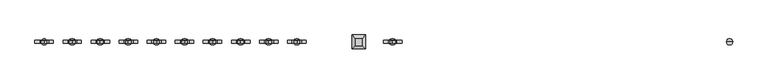
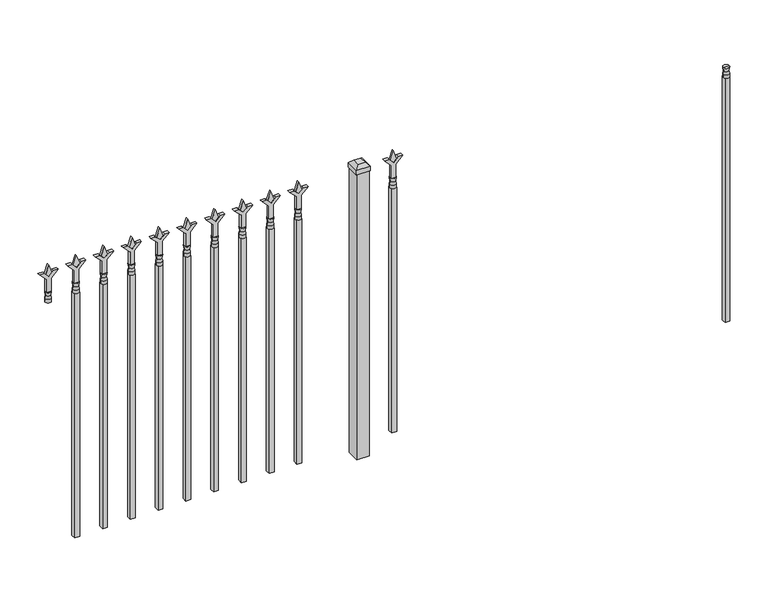
"""IFC4 building model written with IfcOpenShell, lengths in millimetres: railing geometry."""

from ifc_helpers import new_model, si_unit, frame, origin, origin_with_axes, place, context, project, spatial, polyline, circle_curve, outline, extrude, faceted_brep, source, transform, mapped, element, save
from ifc_brep_helpers import plane_surface, cylinder_surface, revolved_surface, advanced_brep


def railing_0d9a725c(model_context):
    return source(origin(), model_context, "Body", "SolidModel", [
        advanced_brep(
        [(-76603.574337, 3022.3429826, 1079.5), (-76627.386837, 3022.3429826, 1079.5), (-76627.386837, 3022.3429826, 1066.8), (-76603.574337, 3022.3429826, 1066.8), (-76605.7796688, 3022.3429826, 1092.0070585), (-76625.1815051, 3022.3429826, 1092.0070585), (-76603.574337, 3022.3429826, 1108.075), (-76627.386837, 3022.3429826, 1108.075), (-76615.480587, 3022.3429826, 1108.075), (-76615.480587, 3022.3429826, 1066.8)],
        [
            (0, 1, circle_curve(frame((-76615.480587, 3022.3429826, 1079.5), z_axis=(0.0, 0.0, -1.0), x_axis=(-1.0, 0.0, 0.0)), 11.90625)),
            (1, 2),
            (2, 3, circle_curve(frame((-76615.480587, 3022.3429826, 1066.8), z_axis=(0.0, 0.0, 1.0), x_axis=(-1.0, 0.0, 0.0)), 11.90625)),
            (3, 0),
            (1, 0, circle_curve(frame((-76615.480587, 3022.3429826, 1079.5), z_axis=(0.0, 0.0, -1.0), x_axis=(-1.0, 0.0, 0.0)), 11.90625)),
            (3, 2, circle_curve(frame((-76615.480587, 3022.3429826, 1066.8), z_axis=(0.0, 0.0, 1.0), x_axis=(-1.0, 0.0, 0.0)), 11.90625)),
            (4, 5, circle_curve(frame((-76615.480587, 3022.3429826, 1092.0070585), z_axis=(0.0, 0.0, -1.0), x_axis=(-1.0, 0.0, 0.0)), 9.7009181)),
            (5, 1),
            (0, 4),
            (5, 4, circle_curve(frame((-76615.480587, 3022.3429826, 1092.0070585), z_axis=(0.0, 0.0, -1.0), x_axis=(-1.0, 0.0, 0.0)), 9.7009181)),
            (6, 7, circle_curve(frame((-76615.480587, 3022.3429826, 1108.075), z_axis=(0.0, 0.0, -1.0), x_axis=(-1.0, 0.0, 0.0)), 11.90625)),
            (7, 5),
            (4, 6),
            (7, 6, circle_curve(frame((-76615.480587, 3022.3429826, 1108.075), z_axis=(0.0, 0.0, -1.0), x_axis=(-1.0, 0.0, 0.0)), 11.90625)),
            (8, 7),
            (6, 8),
            (2, 9),
            (9, 3),
        ],
        [
            cylinder_surface(frame((-76615.480587, 3022.3429826, 1066.8), z_axis=(0.0, 0.0, 1.0), x_axis=(-1.0, 0.0, 0.0)), 11.90625),
            revolved_surface(polyline([(-76627.386837, 3022.3429826, 1079.5), (-76625.1815051, 3022.3429826, 1092.0070585)]), (-76615.480587, 3022.3429826, 1066.8), (0.0, 0.0, 1.0)),
            revolved_surface(polyline([(-76625.1815051, 3022.3429826, 1092.0070585), (-76627.386837, 3022.3429826, 1108.075)]), (-76615.480587, 3022.3429826, 1066.8), (0.0, 0.0, 1.0)),
            plane_surface(frame((-76615.480587, 3022.3429826, 1108.075), z_axis=(0.0, 0.0, 1.0), x_axis=(-1.0, 0.0, 0.0))),
            plane_surface(frame((-76615.480587, 3022.3429826, 1066.8), z_axis=(0.0, 0.0, -1.0), x_axis=(-1.0, 0.0, 0.0))),
        ],
        [
            (0, [[1, 2, 3, 4]]),
            (0, [[5, -4, 6, -2]]),
            (1, [[7, 8, -1, 9]]),
            (1, [[10, -9, -5, -8]]),
            (2, [[11, 12, -7, 13]]),
            (2, [[14, -13, -10, -12]]),
            (3, [[15, -11, 16]]),
            (3, [[-16, -14, -15]]),
            (4, [[-3, 17, 18]]),
            (4, [[-6, -18, -17]]),
        ],
    ),
        extrude(outline(polyline([(-76625.005587, 3031.8679826), (-76605.955587, 3031.8679826), (-76605.955587, 3012.8179826), (-76625.005587, 3012.8179826), (-76625.005587, 3031.8679826)])), frame((0.0, 0.0, 50.8), z_axis=(0.0, 0.0, 1.0), x_axis=(1.0, 0.0, 0.0)), (0.0, 0.0, 1.0), 1016.0),
        extrude(outline(polyline([(1183.48125, -77914.849337), (1219.2, -77926.755587), (1183.48125, -77938.661837), (1171.575, -77926.755587), (1183.48125, -77914.849337)])), frame((0.0, 3017.5804826, 0.0), z_axis=(0.0, 1.0, 0.0), x_axis=(0.0, 0.0, 1.0)), (0.0, 0.0, 1.0), 9.525),
        extrude(outline(polyline([(1108.075, -77918.024337), (1162.3457378, -77918.024337), (1189.5355122, -77890.8345625), (1189.5355122, -77908.7950747), (1171.575, -77926.755587), (1189.5355122, -77944.7160992), (1189.5355122, -77962.6766114), (1162.3457378, -77935.486837), (1108.075, -77935.486837), (1108.075, -77918.024337)])), frame((0.0, 3015.9929826, 0.0), z_axis=(0.0, 1.0, 0.0), x_axis=(0.0, 0.0, 1.0)), (0.0, 0.0, 1.0), 12.7),
        advanced_brep(
        [(-77914.849337, 3022.3429826, 1079.5), (-77938.661837, 3022.3429826, 1079.5), (-77938.661837, 3022.3429826, 1066.8), (-77914.849337, 3022.3429826, 1066.8), (-77917.0546688, 3022.3429826, 1092.0070585), (-77936.4565051, 3022.3429826, 1092.0070585), (-77914.849337, 3022.3429826, 1108.075), (-77938.661837, 3022.3429826, 1108.075), (-77926.755587, 3022.3429826, 1108.075), (-77926.755587, 3022.3429826, 1066.8)],
        [
            (0, 1, circle_curve(frame((-77926.755587, 3022.3429826, 1079.5), z_axis=(0.0, 0.0, -1.0), x_axis=(-1.0, 0.0, 0.0)), 11.90625)),
            (1, 2),
            (2, 3, circle_curve(frame((-77926.755587, 3022.3429826, 1066.8), z_axis=(0.0, 0.0, 1.0), x_axis=(-1.0, 0.0, 0.0)), 11.90625)),
            (3, 0),
            (1, 0, circle_curve(frame((-77926.755587, 3022.3429826, 1079.5), z_axis=(0.0, 0.0, -1.0), x_axis=(-1.0, 0.0, 0.0)), 11.90625)),
            (3, 2, circle_curve(frame((-77926.755587, 3022.3429826, 1066.8), z_axis=(0.0, 0.0, 1.0), x_axis=(-1.0, 0.0, 0.0)), 11.90625)),
            (4, 5, circle_curve(frame((-77926.755587, 3022.3429826, 1092.0070585), z_axis=(0.0, 0.0, -1.0), x_axis=(-1.0, 0.0, 0.0)), 9.7009181)),
            (5, 1),
            (0, 4),
            (5, 4, circle_curve(frame((-77926.755587, 3022.3429826, 1092.0070585), z_axis=(0.0, 0.0, -1.0), x_axis=(-1.0, 0.0, 0.0)), 9.7009181)),
            (6, 7, circle_curve(frame((-77926.755587, 3022.3429826, 1108.075), z_axis=(0.0, 0.0, -1.0), x_axis=(-1.0, 0.0, 0.0)), 11.90625)),
            (7, 5),
            (4, 6),
            (7, 6, circle_curve(frame((-77926.755587, 3022.3429826, 1108.075), z_axis=(0.0, 0.0, -1.0), x_axis=(-1.0, 0.0, 0.0)), 11.90625)),
            (8, 7),
            (6, 8),
            (2, 9),
            (9, 3),
        ],
        [
            cylinder_surface(frame((-77926.755587, 3022.3429826, 1066.8), z_axis=(0.0, 0.0, 1.0), x_axis=(-1.0, 0.0, 0.0)), 11.90625),
            revolved_surface(polyline([(-77938.661837, 3022.3429826, 1079.5), (-77936.4565051, 3022.3429826, 1092.0070585)]), (-77926.755587, 3022.3429826, 1066.8), (0.0, 0.0, 1.0)),
            revolved_surface(polyline([(-77936.4565051, 3022.3429826, 1092.0070585), (-77938.661837, 3022.3429826, 1108.075)]), (-77926.755587, 3022.3429826, 1066.8), (0.0, 0.0, 1.0)),
            plane_surface(frame((-77926.755587, 3022.3429826, 1108.075), z_axis=(0.0, 0.0, 1.0), x_axis=(-1.0, 0.0, 0.0))),
            plane_surface(frame((-77926.755587, 3022.3429826, 1066.8), z_axis=(0.0, 0.0, -1.0), x_axis=(-1.0, 0.0, 0.0))),
        ],
        [
            (0, [[1, 2, 3, 4]]),
            (0, [[5, -4, 6, -2]]),
            (1, [[7, 8, -1, 9]]),
            (1, [[10, -9, -5, -8]]),
            (2, [[11, 12, -7, 13]]),
            (2, [[14, -13, -10, -12]]),
            (3, [[15, -11, 16]]),
            (3, [[-16, -14, -15]]),
            (4, [[-3, 17, 18]]),
            (4, [[-6, -18, -17]]),
        ],
    ),
        extrude(outline(polyline([(-77936.280587, 3031.8679826), (-77917.230587, 3031.8679826), (-77917.230587, 3012.8179826), (-77936.280587, 3012.8179826), (-77936.280587, 3031.8679826)])), frame((0.0, 0.0, 50.8), z_axis=(0.0, 0.0, 1.0), x_axis=(1.0, 0.0, 0.0)), (0.0, 0.0, 1.0), 1016.0),
        extrude(outline(polyline([(-78033.118087, 3047.7429826), (-78033.118087, 2996.9429826), (-78083.918087, 2996.9429826), (-78083.918087, 3047.7429826), (-78033.118087, 3047.7429826)])), origin_with_axes(), (0.0, 0.0, 1.0), 1187.45),
        faceted_brep([(-78085.505587, 3049.3304826, 1206.5), (-78085.505587, 3049.3304826, 1187.45), (-78085.505587, 2995.3554826, 1187.45), (-78085.505587, 2995.3554826, 1206.5), (-78072.805587, 3036.6304826, 1219.2), (-78072.805587, 3008.0554826, 1219.2), (-78031.530587, 2995.3554826, 1187.45), (-78031.530587, 2995.3554826, 1206.5), (-78044.230587, 3008.0554826, 1219.2), (-78031.530587, 3049.3304826, 1187.45), (-78031.530587, 3049.3304826, 1206.5), (-78044.230587, 3036.6304826, 1219.2)], [[[0, 1, 2, 3]], [[4, 0, 3, 5]], [[3, 2, 6, 7]], [[5, 3, 7, 8]], [[7, 6, 9, 10]], [[8, 7, 10, 11]], [[10, 9, 1, 0]], [[11, 10, 0, 4]], [[5, 8, 11, 4]], [[1, 9, 6, 2]]]),
        extrude(outline(polyline([(1183.48125, -78287.6472536), (1219.2, -78299.5535036), (1183.48125, -78311.4597536), (1171.575, -78299.5535036), (1183.48125, -78287.6472536)])), frame((0.0, 3017.5804826, 0.0), z_axis=(0.0, 1.0, 0.0), x_axis=(0.0, 0.0, 1.0)), (0.0, 0.0, 1.0), 9.525),
        extrude(outline(polyline([(1108.075, -78290.8222536), (1162.3457378, -78290.8222536), (1189.5355122, -78263.6324791), (1189.5355122, -78281.5929914), (1171.575, -78299.5535036), (1189.5355122, -78317.5140159), (1189.5355122, -78335.4745281), (1162.3457378, -78308.2847536), (1108.075, -78308.2847536), (1108.075, -78290.8222536)])), frame((0.0, 3015.9929826, 0.0), z_axis=(0.0, 1.0, 0.0), x_axis=(0.0, 0.0, 1.0)), (0.0, 0.0, 1.0), 12.7),
        advanced_brep(
        [(-78287.6472536, 3022.3429826, 1079.5), (-78311.4597536, 3022.3429826, 1079.5), (-78311.4597536, 3022.3429826, 1066.8), (-78287.6472536, 3022.3429826, 1066.8), (-78289.8525855, 3022.3429826, 1092.0070585), (-78309.2544218, 3022.3429826, 1092.0070585), (-78287.6472536, 3022.3429826, 1108.075), (-78311.4597536, 3022.3429826, 1108.075), (-78299.5535036, 3022.3429826, 1108.075), (-78299.5535036, 3022.3429826, 1066.8)],
        [
            (0, 1, circle_curve(frame((-78299.5535036, 3022.3429826, 1079.5), z_axis=(0.0, 0.0, -1.0), x_axis=(-1.0, 0.0, 0.0)), 11.90625)),
            (1, 2),
            (2, 3, circle_curve(frame((-78299.5535036, 3022.3429826, 1066.8), z_axis=(0.0, 0.0, 1.0), x_axis=(-1.0, 0.0, 0.0)), 11.90625)),
            (3, 0),
            (1, 0, circle_curve(frame((-78299.5535036, 3022.3429826, 1079.5), z_axis=(0.0, 0.0, -1.0), x_axis=(-1.0, 0.0, 0.0)), 11.90625)),
            (3, 2, circle_curve(frame((-78299.5535036, 3022.3429826, 1066.8), z_axis=(0.0, 0.0, 1.0), x_axis=(-1.0, 0.0, 0.0)), 11.90625)),
            (4, 5, circle_curve(frame((-78299.5535036, 3022.3429826, 1092.0070585), z_axis=(0.0, 0.0, -1.0), x_axis=(-1.0, 0.0, 0.0)), 9.7009181)),
            (5, 1),
            (0, 4),
            (5, 4, circle_curve(frame((-78299.5535036, 3022.3429826, 1092.0070585), z_axis=(0.0, 0.0, -1.0), x_axis=(-1.0, 0.0, 0.0)), 9.7009181)),
            (6, 7, circle_curve(frame((-78299.5535036, 3022.3429826, 1108.075), z_axis=(0.0, 0.0, -1.0), x_axis=(-1.0, 0.0, 0.0)), 11.90625)),
            (7, 5),
            (4, 6),
            (7, 6, circle_curve(frame((-78299.5535036, 3022.3429826, 1108.075), z_axis=(0.0, 0.0, -1.0), x_axis=(-1.0, 0.0, 0.0)), 11.90625)),
            (8, 7),
            (6, 8),
            (2, 9),
            (9, 3),
        ],
        [
            cylinder_surface(frame((-78299.5535036, 3022.3429826, 1066.8), z_axis=(0.0, 0.0, 1.0), x_axis=(-1.0, 0.0, 0.0)), 11.90625),
            revolved_surface(polyline([(-78311.4597536, 3022.3429826, 1079.5), (-78309.2544218, 3022.3429826, 1092.0070585)]), (-78299.5535036, 3022.3429826, 1066.8), (0.0, 0.0, 1.0)),
            revolved_surface(polyline([(-78309.2544218, 3022.3429826, 1092.0070585), (-78311.4597536, 3022.3429826, 1108.075)]), (-78299.5535036, 3022.3429826, 1066.8), (0.0, 0.0, 1.0)),
            plane_surface(frame((-78299.5535036, 3022.3429826, 1108.075), z_axis=(0.0, 0.0, 1.0), x_axis=(-1.0, 0.0, 0.0))),
            plane_surface(frame((-78299.5535036, 3022.3429826, 1066.8), z_axis=(0.0, 0.0, -1.0), x_axis=(-1.0, 0.0, 0.0))),
        ],
        [
            (0, [[1, 2, 3, 4]]),
            (0, [[5, -4, 6, -2]]),
            (1, [[7, 8, -1, 9]]),
            (1, [[10, -9, -5, -8]]),
            (2, [[11, 12, -7, 13]]),
            (2, [[14, -13, -10, -12]]),
            (3, [[15, -11, 16]]),
            (3, [[-16, -14, -15]]),
            (4, [[-3, 17, 18]]),
            (4, [[-6, -18, -17]]),
        ],
    ),
        extrude(outline(polyline([(-78309.0785036, 3031.8679826), (-78290.0285036, 3031.8679826), (-78290.0285036, 3012.8179826), (-78309.0785036, 3012.8179826), (-78309.0785036, 3031.8679826)])), frame((0.0, 0.0, 50.8), z_axis=(0.0, 0.0, 1.0), x_axis=(1.0, 0.0, 0.0)), (0.0, 0.0, 1.0), 1016.0),
        extrude(outline(polyline([(1183.48125, -78396.9201703), (1219.2, -78408.8264203), (1183.48125, -78420.7326703), (1171.575, -78408.8264203), (1183.48125, -78396.9201703)])), frame((0.0, 3017.5804826, 0.0), z_axis=(0.0, 1.0, 0.0), x_axis=(0.0, 0.0, 1.0)), (0.0, 0.0, 1.0), 9.525),
        extrude(outline(polyline([(1108.075, -78400.0951703), (1162.3457378, -78400.0951703), (1189.5355122, -78372.9053958), (1189.5355122, -78390.8659081), (1171.575, -78408.8264203), (1189.5355122, -78426.7869325), (1189.5355122, -78444.7474448), (1162.3457378, -78417.5576703), (1108.075, -78417.5576703), (1108.075, -78400.0951703)])), frame((0.0, 3015.9929826, 0.0), z_axis=(0.0, 1.0, 0.0), x_axis=(0.0, 0.0, 1.0)), (0.0, 0.0, 1.0), 12.7),
        advanced_brep(
        [(-78396.9201703, 3022.3429826, 1079.5), (-78420.7326703, 3022.3429826, 1079.5), (-78420.7326703, 3022.3429826, 1066.8), (-78396.9201703, 3022.3429826, 1066.8), (-78399.1255022, 3022.3429826, 1092.0070585), (-78418.5273384, 3022.3429826, 1092.0070585), (-78396.9201703, 3022.3429826, 1108.075), (-78420.7326703, 3022.3429826, 1108.075), (-78408.8264203, 3022.3429826, 1108.075), (-78408.8264203, 3022.3429826, 1066.8)],
        [
            (0, 1, circle_curve(frame((-78408.8264203, 3022.3429826, 1079.5), z_axis=(0.0, 0.0, -1.0), x_axis=(-1.0, 0.0, 0.0)), 11.90625)),
            (1, 2),
            (2, 3, circle_curve(frame((-78408.8264203, 3022.3429826, 1066.8), z_axis=(0.0, 0.0, 1.0), x_axis=(-1.0, 0.0, 0.0)), 11.90625)),
            (3, 0),
            (1, 0, circle_curve(frame((-78408.8264203, 3022.3429826, 1079.5), z_axis=(0.0, 0.0, -1.0), x_axis=(-1.0, 0.0, 0.0)), 11.90625)),
            (3, 2, circle_curve(frame((-78408.8264203, 3022.3429826, 1066.8), z_axis=(0.0, 0.0, 1.0), x_axis=(-1.0, 0.0, 0.0)), 11.90625)),
            (4, 5, circle_curve(frame((-78408.8264203, 3022.3429826, 1092.0070585), z_axis=(0.0, 0.0, -1.0), x_axis=(-1.0, 0.0, 0.0)), 9.7009181)),
            (5, 1),
            (0, 4),
            (5, 4, circle_curve(frame((-78408.8264203, 3022.3429826, 1092.0070585), z_axis=(0.0, 0.0, -1.0), x_axis=(-1.0, 0.0, 0.0)), 9.7009181)),
            (6, 7, circle_curve(frame((-78408.8264203, 3022.3429826, 1108.075), z_axis=(0.0, 0.0, -1.0), x_axis=(-1.0, 0.0, 0.0)), 11.90625)),
            (7, 5),
            (4, 6),
            (7, 6, circle_curve(frame((-78408.8264203, 3022.3429826, 1108.075), z_axis=(0.0, 0.0, -1.0), x_axis=(-1.0, 0.0, 0.0)), 11.90625)),
            (8, 7),
            (6, 8),
            (2, 9),
            (9, 3),
        ],
        [
            cylinder_surface(frame((-78408.8264203, 3022.3429826, 1066.8), z_axis=(0.0, 0.0, 1.0), x_axis=(-1.0, 0.0, 0.0)), 11.90625),
            revolved_surface(polyline([(-78420.7326703, 3022.3429826, 1079.5), (-78418.5273384, 3022.3429826, 1092.0070585)]), (-78408.8264203, 3022.3429826, 1066.8), (0.0, 0.0, 1.0)),
            revolved_surface(polyline([(-78418.5273384, 3022.3429826, 1092.0070585), (-78420.7326703, 3022.3429826, 1108.075)]), (-78408.8264203, 3022.3429826, 1066.8), (0.0, 0.0, 1.0)),
            plane_surface(frame((-78408.8264203, 3022.3429826, 1108.075), z_axis=(0.0, 0.0, 1.0), x_axis=(-1.0, 0.0, 0.0))),
            plane_surface(frame((-78408.8264203, 3022.3429826, 1066.8), z_axis=(0.0, 0.0, -1.0), x_axis=(-1.0, 0.0, 0.0))),
        ],
        [
            (0, [[1, 2, 3, 4]]),
            (0, [[5, -4, 6, -2]]),
            (1, [[7, 8, -1, 9]]),
            (1, [[10, -9, -5, -8]]),
            (2, [[11, 12, -7, 13]]),
            (2, [[14, -13, -10, -12]]),
            (3, [[15, -11, 16]]),
            (3, [[-16, -14, -15]]),
            (4, [[-3, 17, 18]]),
            (4, [[-6, -18, -17]]),
        ],
    ),
        extrude(outline(polyline([(-78418.3514203, 3031.8679826), (-78399.3014203, 3031.8679826), (-78399.3014203, 3012.8179826), (-78418.3514203, 3012.8179826), (-78418.3514203, 3031.8679826)])), frame((0.0, 0.0, 50.8), z_axis=(0.0, 0.0, 1.0), x_axis=(1.0, 0.0, 0.0)), (0.0, 0.0, 1.0), 1016.0),
        extrude(outline(polyline([(1183.48125, -78506.193087), (1219.2, -78518.099337), (1183.48125, -78530.005587), (1171.575, -78518.099337), (1183.48125, -78506.193087)])), frame((0.0, 3017.5804826, 0.0), z_axis=(0.0, 1.0, 0.0), x_axis=(0.0, 0.0, 1.0)), (0.0, 0.0, 1.0), 9.525),
        extrude(outline(polyline([(1108.075, -78509.368087), (1162.3457378, -78509.368087), (1189.5355122, -78482.1783125), (1189.5355122, -78500.1388247), (1171.575, -78518.099337), (1189.5355122, -78536.0598492), (1189.5355122, -78554.0203614), (1162.3457378, -78526.830587), (1108.075, -78526.830587), (1108.075, -78509.368087)])), frame((0.0, 3015.9929826, 0.0), z_axis=(0.0, 1.0, 0.0), x_axis=(0.0, 0.0, 1.0)), (0.0, 0.0, 1.0), 12.7),
        advanced_brep(
        [(-78506.193087, 3022.3429826, 1079.5), (-78530.005587, 3022.3429826, 1079.5), (-78530.005587, 3022.3429826, 1066.8), (-78506.193087, 3022.3429826, 1066.8), (-78508.3984188, 3022.3429826, 1092.0070585), (-78527.8002551, 3022.3429826, 1092.0070585), (-78506.193087, 3022.3429826, 1108.075), (-78530.005587, 3022.3429826, 1108.075), (-78518.099337, 3022.3429826, 1108.075), (-78518.099337, 3022.3429826, 1066.8)],
        [
            (0, 1, circle_curve(frame((-78518.099337, 3022.3429826, 1079.5), z_axis=(0.0, 0.0, -1.0), x_axis=(-1.0, 0.0, 0.0)), 11.90625)),
            (1, 2),
            (2, 3, circle_curve(frame((-78518.099337, 3022.3429826, 1066.8), z_axis=(0.0, 0.0, 1.0), x_axis=(-1.0, 0.0, 0.0)), 11.90625)),
            (3, 0),
            (1, 0, circle_curve(frame((-78518.099337, 3022.3429826, 1079.5), z_axis=(0.0, 0.0, -1.0), x_axis=(-1.0, 0.0, 0.0)), 11.90625)),
            (3, 2, circle_curve(frame((-78518.099337, 3022.3429826, 1066.8), z_axis=(0.0, 0.0, 1.0), x_axis=(-1.0, 0.0, 0.0)), 11.90625)),
            (4, 5, circle_curve(frame((-78518.099337, 3022.3429826, 1092.0070585), z_axis=(0.0, 0.0, -1.0), x_axis=(-1.0, 0.0, 0.0)), 9.7009181)),
            (5, 1),
            (0, 4),
            (5, 4, circle_curve(frame((-78518.099337, 3022.3429826, 1092.0070585), z_axis=(0.0, 0.0, -1.0), x_axis=(-1.0, 0.0, 0.0)), 9.7009181)),
            (6, 7, circle_curve(frame((-78518.099337, 3022.3429826, 1108.075), z_axis=(0.0, 0.0, -1.0), x_axis=(-1.0, 0.0, 0.0)), 11.90625)),
            (7, 5),
            (4, 6),
            (7, 6, circle_curve(frame((-78518.099337, 3022.3429826, 1108.075), z_axis=(0.0, 0.0, -1.0), x_axis=(-1.0, 0.0, 0.0)), 11.90625)),
            (8, 7),
            (6, 8),
            (2, 9),
            (9, 3),
        ],
        [
            cylinder_surface(frame((-78518.099337, 3022.3429826, 1066.8), z_axis=(0.0, 0.0, 1.0), x_axis=(-1.0, 0.0, 0.0)), 11.90625),
            revolved_surface(polyline([(-78530.005587, 3022.3429826, 1079.5), (-78527.8002551, 3022.3429826, 1092.0070585)]), (-78518.099337, 3022.3429826, 1066.8), (0.0, 0.0, 1.0)),
            revolved_surface(polyline([(-78527.8002551, 3022.3429826, 1092.0070585), (-78530.005587, 3022.3429826, 1108.075)]), (-78518.099337, 3022.3429826, 1066.8), (0.0, 0.0, 1.0)),
            plane_surface(frame((-78518.099337, 3022.3429826, 1108.075), z_axis=(0.0, 0.0, 1.0), x_axis=(-1.0, 0.0, 0.0))),
            plane_surface(frame((-78518.099337, 3022.3429826, 1066.8), z_axis=(0.0, 0.0, -1.0), x_axis=(-1.0, 0.0, 0.0))),
        ],
        [
            (0, [[1, 2, 3, 4]]),
            (0, [[5, -4, 6, -2]]),
            (1, [[7, 8, -1, 9]]),
            (1, [[10, -9, -5, -8]]),
            (2, [[11, 12, -7, 13]]),
            (2, [[14, -13, -10, -12]]),
            (3, [[15, -11, 16]]),
            (3, [[-16, -14, -15]]),
            (4, [[-3, 17, 18]]),
            (4, [[-6, -18, -17]]),
        ],
    ),
        extrude(outline(polyline([(-78527.624337, 3031.8679826), (-78508.574337, 3031.8679826), (-78508.574337, 3012.8179826), (-78527.624337, 3012.8179826), (-78527.624337, 3031.8679826)])), frame((0.0, 0.0, 50.8), z_axis=(0.0, 0.0, 1.0), x_axis=(1.0, 0.0, 0.0)), (0.0, 0.0, 1.0), 1016.0),
        extrude(outline(polyline([(1183.48125, -78615.4660036), (1219.2, -78627.3722536), (1183.48125, -78639.2785036), (1171.575, -78627.3722536), (1183.48125, -78615.4660036)])), frame((0.0, 3017.5804826, 0.0), z_axis=(0.0, 1.0, 0.0), x_axis=(0.0, 0.0, 1.0)), (0.0, 0.0, 1.0), 9.525),
        extrude(outline(polyline([(1108.075, -78618.6410036), (1162.3457378, -78618.6410036), (1189.5355122, -78591.4512291), (1189.5355122, -78609.4117414), (1171.575, -78627.3722536), (1189.5355122, -78645.3327659), (1189.5355122, -78663.2932781), (1162.3457378, -78636.1035036), (1108.075, -78636.1035036), (1108.075, -78618.6410036)])), frame((0.0, 3015.9929826, 0.0), z_axis=(0.0, 1.0, 0.0), x_axis=(0.0, 0.0, 1.0)), (0.0, 0.0, 1.0), 12.7),
        advanced_brep(
        [(-78615.4660036, 3022.3429826, 1079.5), (-78639.2785036, 3022.3429826, 1079.5), (-78639.2785036, 3022.3429826, 1066.8), (-78615.4660036, 3022.3429826, 1066.8), (-78617.6713355, 3022.3429826, 1092.0070585), (-78637.0731718, 3022.3429826, 1092.0070585), (-78615.4660036, 3022.3429826, 1108.075), (-78639.2785036, 3022.3429826, 1108.075), (-78627.3722536, 3022.3429826, 1108.075), (-78627.3722536, 3022.3429826, 1066.8)],
        [
            (0, 1, circle_curve(frame((-78627.3722536, 3022.3429826, 1079.5), z_axis=(0.0, 0.0, -1.0), x_axis=(-1.0, 0.0, 0.0)), 11.90625)),
            (1, 2),
            (2, 3, circle_curve(frame((-78627.3722536, 3022.3429826, 1066.8), z_axis=(0.0, 0.0, 1.0), x_axis=(-1.0, 0.0, 0.0)), 11.90625)),
            (3, 0),
            (1, 0, circle_curve(frame((-78627.3722536, 3022.3429826, 1079.5), z_axis=(0.0, 0.0, -1.0), x_axis=(-1.0, 0.0, 0.0)), 11.90625)),
            (3, 2, circle_curve(frame((-78627.3722536, 3022.3429826, 1066.8), z_axis=(0.0, 0.0, 1.0), x_axis=(-1.0, 0.0, 0.0)), 11.90625)),
            (4, 5, circle_curve(frame((-78627.3722536, 3022.3429826, 1092.0070585), z_axis=(0.0, 0.0, -1.0), x_axis=(-1.0, 0.0, 0.0)), 9.7009181)),
            (5, 1),
            (0, 4),
            (5, 4, circle_curve(frame((-78627.3722536, 3022.3429826, 1092.0070585), z_axis=(0.0, 0.0, -1.0), x_axis=(-1.0, 0.0, 0.0)), 9.7009181)),
            (6, 7, circle_curve(frame((-78627.3722536, 3022.3429826, 1108.075), z_axis=(0.0, 0.0, -1.0), x_axis=(-1.0, 0.0, 0.0)), 11.90625)),
            (7, 5),
            (4, 6),
            (7, 6, circle_curve(frame((-78627.3722536, 3022.3429826, 1108.075), z_axis=(0.0, 0.0, -1.0), x_axis=(-1.0, 0.0, 0.0)), 11.90625)),
            (8, 7),
            (6, 8),
            (2, 9),
            (9, 3),
        ],
        [
            cylinder_surface(frame((-78627.3722536, 3022.3429826, 1066.8), z_axis=(0.0, 0.0, 1.0), x_axis=(-1.0, 0.0, 0.0)), 11.90625),
            revolved_surface(polyline([(-78639.2785036, 3022.3429826, 1079.5), (-78637.0731718, 3022.3429826, 1092.0070585)]), (-78627.3722536, 3022.3429826, 1066.8), (0.0, 0.0, 1.0)),
            revolved_surface(polyline([(-78637.0731718, 3022.3429826, 1092.0070585), (-78639.2785036, 3022.3429826, 1108.075)]), (-78627.3722536, 3022.3429826, 1066.8), (0.0, 0.0, 1.0)),
            plane_surface(frame((-78627.3722536, 3022.3429826, 1108.075), z_axis=(0.0, 0.0, 1.0), x_axis=(-1.0, 0.0, 0.0))),
            plane_surface(frame((-78627.3722536, 3022.3429826, 1066.8), z_axis=(0.0, 0.0, -1.0), x_axis=(-1.0, 0.0, 0.0))),
        ],
        [
            (0, [[1, 2, 3, 4]]),
            (0, [[5, -4, 6, -2]]),
            (1, [[7, 8, -1, 9]]),
            (1, [[10, -9, -5, -8]]),
            (2, [[11, 12, -7, 13]]),
            (2, [[14, -13, -10, -12]]),
            (3, [[15, -11, 16]]),
            (3, [[-16, -14, -15]]),
            (4, [[-3, 17, 18]]),
            (4, [[-6, -18, -17]]),
        ],
    ),
        extrude(outline(polyline([(-78636.8972536, 3031.8679826), (-78617.8472536, 3031.8679826), (-78617.8472536, 3012.8179826), (-78636.8972536, 3012.8179826), (-78636.8972536, 3031.8679826)])), frame((0.0, 0.0, 50.8), z_axis=(0.0, 0.0, 1.0), x_axis=(1.0, 0.0, 0.0)), (0.0, 0.0, 1.0), 1016.0),
        extrude(outline(polyline([(1183.48125, -78724.7389203), (1219.2, -78736.6451703), (1183.48125, -78748.5514203), (1171.575, -78736.6451703), (1183.48125, -78724.7389203)])), frame((0.0, 3017.5804826, 0.0), z_axis=(0.0, 1.0, 0.0), x_axis=(0.0, 0.0, 1.0)), (0.0, 0.0, 1.0), 9.525),
        extrude(outline(polyline([(1108.075, -78727.9139203), (1162.3457378, -78727.9139203), (1189.5355122, -78700.7241458), (1189.5355122, -78718.6846581), (1171.575, -78736.6451703), (1189.5355122, -78754.6056825), (1189.5355122, -78772.5661948), (1162.3457378, -78745.3764203), (1108.075, -78745.3764203), (1108.075, -78727.9139203)])), frame((0.0, 3015.9929826, 0.0), z_axis=(0.0, 1.0, 0.0), x_axis=(0.0, 0.0, 1.0)), (0.0, 0.0, 1.0), 12.7),
        advanced_brep(
        [(-78724.7389203, 3022.3429826, 1079.5), (-78748.5514203, 3022.3429826, 1079.5), (-78748.5514203, 3022.3429826, 1066.8), (-78724.7389203, 3022.3429826, 1066.8), (-78726.9442522, 3022.3429826, 1092.0070585), (-78746.3460884, 3022.3429826, 1092.0070585), (-78724.7389203, 3022.3429826, 1108.075), (-78748.5514203, 3022.3429826, 1108.075), (-78736.6451703, 3022.3429826, 1108.075), (-78736.6451703, 3022.3429826, 1066.8)],
        [
            (0, 1, circle_curve(frame((-78736.6451703, 3022.3429826, 1079.5), z_axis=(0.0, 0.0, -1.0), x_axis=(-1.0, 0.0, 0.0)), 11.90625)),
            (1, 2),
            (2, 3, circle_curve(frame((-78736.6451703, 3022.3429826, 1066.8), z_axis=(0.0, 0.0, 1.0), x_axis=(-1.0, 0.0, 0.0)), 11.90625)),
            (3, 0),
            (1, 0, circle_curve(frame((-78736.6451703, 3022.3429826, 1079.5), z_axis=(0.0, 0.0, -1.0), x_axis=(-1.0, 0.0, 0.0)), 11.90625)),
            (3, 2, circle_curve(frame((-78736.6451703, 3022.3429826, 1066.8), z_axis=(0.0, 0.0, 1.0), x_axis=(-1.0, 0.0, 0.0)), 11.90625)),
            (4, 5, circle_curve(frame((-78736.6451703, 3022.3429826, 1092.0070585), z_axis=(0.0, 0.0, -1.0), x_axis=(-1.0, 0.0, 0.0)), 9.7009181)),
            (5, 1),
            (0, 4),
            (5, 4, circle_curve(frame((-78736.6451703, 3022.3429826, 1092.0070585), z_axis=(0.0, 0.0, -1.0), x_axis=(-1.0, 0.0, 0.0)), 9.7009181)),
            (6, 7, circle_curve(frame((-78736.6451703, 3022.3429826, 1108.075), z_axis=(0.0, 0.0, -1.0), x_axis=(-1.0, 0.0, 0.0)), 11.90625)),
            (7, 5),
            (4, 6),
            (7, 6, circle_curve(frame((-78736.6451703, 3022.3429826, 1108.075), z_axis=(0.0, 0.0, -1.0), x_axis=(-1.0, 0.0, 0.0)), 11.90625)),
            (8, 7),
            (6, 8),
            (2, 9),
            (9, 3),
        ],
        [
            cylinder_surface(frame((-78736.6451703, 3022.3429826, 1066.8), z_axis=(0.0, 0.0, 1.0), x_axis=(-1.0, 0.0, 0.0)), 11.90625),
            revolved_surface(polyline([(-78748.5514203, 3022.3429826, 1079.5), (-78746.3460884, 3022.3429826, 1092.0070585)]), (-78736.6451703, 3022.3429826, 1066.8), (0.0, 0.0, 1.0)),
            revolved_surface(polyline([(-78746.3460884, 3022.3429826, 1092.0070585), (-78748.5514203, 3022.3429826, 1108.075)]), (-78736.6451703, 3022.3429826, 1066.8), (0.0, 0.0, 1.0)),
            plane_surface(frame((-78736.6451703, 3022.3429826, 1108.075), z_axis=(0.0, 0.0, 1.0), x_axis=(-1.0, 0.0, 0.0))),
            plane_surface(frame((-78736.6451703, 3022.3429826, 1066.8), z_axis=(0.0, 0.0, -1.0), x_axis=(-1.0, 0.0, 0.0))),
        ],
        [
            (0, [[1, 2, 3, 4]]),
            (0, [[5, -4, 6, -2]]),
            (1, [[7, 8, -1, 9]]),
            (1, [[10, -9, -5, -8]]),
            (2, [[11, 12, -7, 13]]),
            (2, [[14, -13, -10, -12]]),
            (3, [[15, -11, 16]]),
            (3, [[-16, -14, -15]]),
            (4, [[-3, 17, 18]]),
            (4, [[-6, -18, -17]]),
        ],
    ),
        extrude(outline(polyline([(-78746.1701703, 3031.8679826), (-78727.1201703, 3031.8679826), (-78727.1201703, 3012.8179826), (-78746.1701703, 3012.8179826), (-78746.1701703, 3031.8679826)])), frame((0.0, 0.0, 50.8), z_axis=(0.0, 0.0, 1.0), x_axis=(1.0, 0.0, 0.0)), (0.0, 0.0, 1.0), 1016.0),
        extrude(outline(polyline([(1183.48125, -78834.011837), (1219.2, -78845.918087), (1183.48125, -78857.824337), (1171.575, -78845.918087), (1183.48125, -78834.011837)])), frame((0.0, 3017.5804826, 0.0), z_axis=(0.0, 1.0, 0.0), x_axis=(0.0, 0.0, 1.0)), (0.0, 0.0, 1.0), 9.525),
        extrude(outline(polyline([(1108.075, -78837.186837), (1162.3457378, -78837.186837), (1189.5355122, -78809.9970625), (1189.5355122, -78827.9575747), (1171.575, -78845.918087), (1189.5355122, -78863.8785992), (1189.5355122, -78881.8391114), (1162.3457378, -78854.649337), (1108.075, -78854.649337), (1108.075, -78837.186837)])), frame((0.0, 3015.9929826, 0.0), z_axis=(0.0, 1.0, 0.0), x_axis=(0.0, 0.0, 1.0)), (0.0, 0.0, 1.0), 12.7),
        advanced_brep(
        [(-78834.011837, 3022.3429826, 1079.5), (-78857.824337, 3022.3429826, 1079.5), (-78857.824337, 3022.3429826, 1066.8), (-78834.011837, 3022.3429826, 1066.8), (-78836.2171688, 3022.3429826, 1092.0070585), (-78855.6190051, 3022.3429826, 1092.0070585), (-78834.011837, 3022.3429826, 1108.075), (-78857.824337, 3022.3429826, 1108.075), (-78845.918087, 3022.3429826, 1108.075), (-78845.918087, 3022.3429826, 1066.8)],
        [
            (0, 1, circle_curve(frame((-78845.918087, 3022.3429826, 1079.5), z_axis=(0.0, 0.0, -1.0), x_axis=(-1.0, 0.0, 0.0)), 11.90625)),
            (1, 2),
            (2, 3, circle_curve(frame((-78845.918087, 3022.3429826, 1066.8), z_axis=(0.0, 0.0, 1.0), x_axis=(-1.0, 0.0, 0.0)), 11.90625)),
            (3, 0),
            (1, 0, circle_curve(frame((-78845.918087, 3022.3429826, 1079.5), z_axis=(0.0, 0.0, -1.0), x_axis=(-1.0, 0.0, 0.0)), 11.90625)),
            (3, 2, circle_curve(frame((-78845.918087, 3022.3429826, 1066.8), z_axis=(0.0, 0.0, 1.0), x_axis=(-1.0, 0.0, 0.0)), 11.90625)),
            (4, 5, circle_curve(frame((-78845.918087, 3022.3429826, 1092.0070585), z_axis=(0.0, 0.0, -1.0), x_axis=(-1.0, 0.0, 0.0)), 9.7009181)),
            (5, 1),
            (0, 4),
            (5, 4, circle_curve(frame((-78845.918087, 3022.3429826, 1092.0070585), z_axis=(0.0, 0.0, -1.0), x_axis=(-1.0, 0.0, 0.0)), 9.7009181)),
            (6, 7, circle_curve(frame((-78845.918087, 3022.3429826, 1108.075), z_axis=(0.0, 0.0, -1.0), x_axis=(-1.0, 0.0, 0.0)), 11.90625)),
            (7, 5),
            (4, 6),
            (7, 6, circle_curve(frame((-78845.918087, 3022.3429826, 1108.075), z_axis=(0.0, 0.0, -1.0), x_axis=(-1.0, 0.0, 0.0)), 11.90625)),
            (8, 7),
            (6, 8),
            (2, 9),
            (9, 3),
        ],
        [
            cylinder_surface(frame((-78845.918087, 3022.3429826, 1066.8), z_axis=(0.0, 0.0, 1.0), x_axis=(-1.0, 0.0, 0.0)), 11.90625),
            revolved_surface(polyline([(-78857.824337, 3022.3429826, 1079.5), (-78855.6190051, 3022.3429826, 1092.0070585)]), (-78845.918087, 3022.3429826, 1066.8), (0.0, 0.0, 1.0)),
            revolved_surface(polyline([(-78855.6190051, 3022.3429826, 1092.0070585), (-78857.824337, 3022.3429826, 1108.075)]), (-78845.918087, 3022.3429826, 1066.8), (0.0, 0.0, 1.0)),
            plane_surface(frame((-78845.918087, 3022.3429826, 1108.075), z_axis=(0.0, 0.0, 1.0), x_axis=(-1.0, 0.0, 0.0))),
            plane_surface(frame((-78845.918087, 3022.3429826, 1066.8), z_axis=(0.0, 0.0, -1.0), x_axis=(-1.0, 0.0, 0.0))),
        ],
        [
            (0, [[1, 2, 3, 4]]),
            (0, [[5, -4, 6, -2]]),
            (1, [[7, 8, -1, 9]]),
            (1, [[10, -9, -5, -8]]),
            (2, [[11, 12, -7, 13]]),
            (2, [[14, -13, -10, -12]]),
            (3, [[15, -11, 16]]),
            (3, [[-16, -14, -15]]),
            (4, [[-3, 17, 18]]),
            (4, [[-6, -18, -17]]),
        ],
    ),
        extrude(outline(polyline([(-78855.443087, 3031.8679826), (-78836.393087, 3031.8679826), (-78836.393087, 3012.8179826), (-78855.443087, 3012.8179826), (-78855.443087, 3031.8679826)])), frame((0.0, 0.0, 50.8), z_axis=(0.0, 0.0, 1.0), x_axis=(1.0, 0.0, 0.0)), (0.0, 0.0, 1.0), 1016.0),
        extrude(outline(polyline([(1183.48125, -78943.2847536), (1219.2, -78955.1910036), (1183.48125, -78967.0972536), (1171.575, -78955.1910036), (1183.48125, -78943.2847536)])), frame((0.0, 3017.5804826, 0.0), z_axis=(0.0, 1.0, 0.0), x_axis=(0.0, 0.0, 1.0)), (0.0, 0.0, 1.0), 9.525),
        extrude(outline(polyline([(1108.075, -78946.4597536), (1162.3457378, -78946.4597536), (1189.5355122, -78919.2699791), (1189.5355122, -78937.2304914), (1171.575, -78955.1910036), (1189.5355122, -78973.1515159), (1189.5355122, -78991.1120281), (1162.3457378, -78963.9222536), (1108.075, -78963.9222536), (1108.075, -78946.4597536)])), frame((0.0, 3015.9929826, 0.0), z_axis=(0.0, 1.0, 0.0), x_axis=(0.0, 0.0, 1.0)), (0.0, 0.0, 1.0), 12.7),
        advanced_brep(
        [(-78943.2847536, 3022.3429826, 1079.5), (-78967.0972536, 3022.3429826, 1079.5), (-78967.0972536, 3022.3429826, 1066.8), (-78943.2847536, 3022.3429826, 1066.8), (-78945.4900855, 3022.3429826, 1092.0070585), (-78964.8919218, 3022.3429826, 1092.0070585), (-78943.2847536, 3022.3429826, 1108.075), (-78967.0972536, 3022.3429826, 1108.075), (-78955.1910036, 3022.3429826, 1108.075), (-78955.1910036, 3022.3429826, 1066.8)],
        [
            (0, 1, circle_curve(frame((-78955.1910036, 3022.3429826, 1079.5), z_axis=(0.0, 0.0, -1.0), x_axis=(-1.0, 0.0, 0.0)), 11.90625)),
            (1, 2),
            (2, 3, circle_curve(frame((-78955.1910036, 3022.3429826, 1066.8), z_axis=(0.0, 0.0, 1.0), x_axis=(-1.0, 0.0, 0.0)), 11.90625)),
            (3, 0),
            (1, 0, circle_curve(frame((-78955.1910036, 3022.3429826, 1079.5), z_axis=(0.0, 0.0, -1.0), x_axis=(-1.0, 0.0, 0.0)), 11.90625)),
            (3, 2, circle_curve(frame((-78955.1910036, 3022.3429826, 1066.8), z_axis=(0.0, 0.0, 1.0), x_axis=(-1.0, 0.0, 0.0)), 11.90625)),
            (4, 5, circle_curve(frame((-78955.1910036, 3022.3429826, 1092.0070585), z_axis=(0.0, 0.0, -1.0), x_axis=(-1.0, 0.0, 0.0)), 9.7009181)),
            (5, 1),
            (0, 4),
            (5, 4, circle_curve(frame((-78955.1910036, 3022.3429826, 1092.0070585), z_axis=(0.0, 0.0, -1.0), x_axis=(-1.0, 0.0, 0.0)), 9.7009181)),
            (6, 7, circle_curve(frame((-78955.1910036, 3022.3429826, 1108.075), z_axis=(0.0, 0.0, -1.0), x_axis=(-1.0, 0.0, 0.0)), 11.90625)),
            (7, 5),
            (4, 6),
            (7, 6, circle_curve(frame((-78955.1910036, 3022.3429826, 1108.075), z_axis=(0.0, 0.0, -1.0), x_axis=(-1.0, 0.0, 0.0)), 11.90625)),
            (8, 7),
            (6, 8),
            (2, 9),
            (9, 3),
        ],
        [
            cylinder_surface(frame((-78955.1910036, 3022.3429826, 1066.8), z_axis=(0.0, 0.0, 1.0), x_axis=(-1.0, 0.0, 0.0)), 11.90625),
            revolved_surface(polyline([(-78967.0972536, 3022.3429826, 1079.5), (-78964.8919218, 3022.3429826, 1092.0070585)]), (-78955.1910036, 3022.3429826, 1066.8), (0.0, 0.0, 1.0)),
            revolved_surface(polyline([(-78964.8919218, 3022.3429826, 1092.0070585), (-78967.0972536, 3022.3429826, 1108.075)]), (-78955.1910036, 3022.3429826, 1066.8), (0.0, 0.0, 1.0)),
            plane_surface(frame((-78955.1910036, 3022.3429826, 1108.075), z_axis=(0.0, 0.0, 1.0), x_axis=(-1.0, 0.0, 0.0))),
            plane_surface(frame((-78955.1910036, 3022.3429826, 1066.8), z_axis=(0.0, 0.0, -1.0), x_axis=(-1.0, 0.0, 0.0))),
        ],
        [
            (0, [[1, 2, 3, 4]]),
            (0, [[5, -4, 6, -2]]),
            (1, [[7, 8, -1, 9]]),
            (1, [[10, -9, -5, -8]]),
            (2, [[11, 12, -7, 13]]),
            (2, [[14, -13, -10, -12]]),
            (3, [[15, -11, 16]]),
            (3, [[-16, -14, -15]]),
            (4, [[-3, 17, 18]]),
            (4, [[-6, -18, -17]]),
        ],
    ),
        extrude(outline(polyline([(-78964.7160036, 3031.8679826), (-78945.6660036, 3031.8679826), (-78945.6660036, 3012.8179826), (-78964.7160036, 3012.8179826), (-78964.7160036, 3031.8679826)])), frame((0.0, 0.0, 50.8), z_axis=(0.0, 0.0, 1.0), x_axis=(1.0, 0.0, 0.0)), (0.0, 0.0, 1.0), 1016.0),
        extrude(outline(polyline([(1183.48125, -79052.5576703), (1219.2, -79064.4639203), (1183.48125, -79076.3701703), (1171.575, -79064.4639203), (1183.48125, -79052.5576703)])), frame((0.0, 3017.5804826, 0.0), z_axis=(0.0, 1.0, 0.0), x_axis=(0.0, 0.0, 1.0)), (0.0, 0.0, 1.0), 9.525),
        extrude(outline(polyline([(1108.075, -79055.7326703), (1162.3457378, -79055.7326703), (1189.5355122, -79028.5428958), (1189.5355122, -79046.5034081), (1171.575, -79064.4639203), (1189.5355122, -79082.4244325), (1189.5355122, -79100.3849448), (1162.3457378, -79073.1951703), (1108.075, -79073.1951703), (1108.075, -79055.7326703)])), frame((0.0, 3015.9929826, 0.0), z_axis=(0.0, 1.0, 0.0), x_axis=(0.0, 0.0, 1.0)), (0.0, 0.0, 1.0), 12.7),
        advanced_brep(
        [(-79052.5576703, 3022.3429826, 1079.5), (-79076.3701703, 3022.3429826, 1079.5), (-79076.3701703, 3022.3429826, 1066.8), (-79052.5576703, 3022.3429826, 1066.8), (-79054.7630022, 3022.3429826, 1092.0070585), (-79074.1648384, 3022.3429826, 1092.0070585), (-79052.5576703, 3022.3429826, 1108.075), (-79076.3701703, 3022.3429826, 1108.075), (-79064.4639203, 3022.3429826, 1108.075), (-79064.4639203, 3022.3429826, 1066.8)],
        [
            (0, 1, circle_curve(frame((-79064.4639203, 3022.3429826, 1079.5), z_axis=(0.0, 0.0, -1.0), x_axis=(-1.0, 0.0, 0.0)), 11.90625)),
            (1, 2),
            (2, 3, circle_curve(frame((-79064.4639203, 3022.3429826, 1066.8), z_axis=(0.0, 0.0, 1.0), x_axis=(-1.0, 0.0, 0.0)), 11.90625)),
            (3, 0),
            (1, 0, circle_curve(frame((-79064.4639203, 3022.3429826, 1079.5), z_axis=(0.0, 0.0, -1.0), x_axis=(-1.0, 0.0, 0.0)), 11.90625)),
            (3, 2, circle_curve(frame((-79064.4639203, 3022.3429826, 1066.8), z_axis=(0.0, 0.0, 1.0), x_axis=(-1.0, 0.0, 0.0)), 11.90625)),
            (4, 5, circle_curve(frame((-79064.4639203, 3022.3429826, 1092.0070585), z_axis=(0.0, 0.0, -1.0), x_axis=(-1.0, 0.0, 0.0)), 9.7009181)),
            (5, 1),
            (0, 4),
            (5, 4, circle_curve(frame((-79064.4639203, 3022.3429826, 1092.0070585), z_axis=(0.0, 0.0, -1.0), x_axis=(-1.0, 0.0, 0.0)), 9.7009181)),
            (6, 7, circle_curve(frame((-79064.4639203, 3022.3429826, 1108.075), z_axis=(0.0, 0.0, -1.0), x_axis=(-1.0, 0.0, 0.0)), 11.90625)),
            (7, 5),
            (4, 6),
            (7, 6, circle_curve(frame((-79064.4639203, 3022.3429826, 1108.075), z_axis=(0.0, 0.0, -1.0), x_axis=(-1.0, 0.0, 0.0)), 11.90625)),
            (8, 7),
            (6, 8),
            (2, 9),
            (9, 3),
        ],
        [
            cylinder_surface(frame((-79064.4639203, 3022.3429826, 1066.8), z_axis=(0.0, 0.0, 1.0), x_axis=(-1.0, 0.0, 0.0)), 11.90625),
            revolved_surface(polyline([(-79076.3701703, 3022.3429826, 1079.5), (-79074.1648384, 3022.3429826, 1092.0070585)]), (-79064.4639203, 3022.3429826, 1066.8), (0.0, 0.0, 1.0)),
            revolved_surface(polyline([(-79074.1648384, 3022.3429826, 1092.0070585), (-79076.3701703, 3022.3429826, 1108.075)]), (-79064.4639203, 3022.3429826, 1066.8), (0.0, 0.0, 1.0)),
            plane_surface(frame((-79064.4639203, 3022.3429826, 1108.075), z_axis=(0.0, 0.0, 1.0), x_axis=(-1.0, 0.0, 0.0))),
            plane_surface(frame((-79064.4639203, 3022.3429826, 1066.8), z_axis=(0.0, 0.0, -1.0), x_axis=(-1.0, 0.0, 0.0))),
        ],
        [
            (0, [[1, 2, 3, 4]]),
            (0, [[5, -4, 6, -2]]),
            (1, [[7, 8, -1, 9]]),
            (1, [[10, -9, -5, -8]]),
            (2, [[11, 12, -7, 13]]),
            (2, [[14, -13, -10, -12]]),
            (3, [[15, -11, 16]]),
            (3, [[-16, -14, -15]]),
            (4, [[-3, 17, 18]]),
            (4, [[-6, -18, -17]]),
        ],
    ),
        extrude(outline(polyline([(-79073.9889203, 3031.8679826), (-79054.9389203, 3031.8679826), (-79054.9389203, 3012.8179826), (-79073.9889203, 3012.8179826), (-79073.9889203, 3031.8679826)])), frame((0.0, 0.0, 50.8), z_axis=(0.0, 0.0, 1.0), x_axis=(1.0, 0.0, 0.0)), (0.0, 0.0, 1.0), 1016.0),
        extrude(outline(polyline([(1183.48125, -79161.830587), (1219.2, -79173.736837), (1183.48125, -79185.643087), (1171.575, -79173.736837), (1183.48125, -79161.830587)])), frame((0.0, 3017.5804826, 0.0), z_axis=(0.0, 1.0, 0.0), x_axis=(0.0, 0.0, 1.0)), (0.0, 0.0, 1.0), 9.525),
        extrude(outline(polyline([(1108.075, -79165.005587), (1162.3457378, -79165.005587), (1189.5355122, -79137.8158125), (1189.5355122, -79155.7763247), (1171.575, -79173.736837), (1189.5355122, -79191.6973492), (1189.5355122, -79209.6578614), (1162.3457378, -79182.468087), (1108.075, -79182.468087), (1108.075, -79165.005587)])), frame((0.0, 3015.9929826, 0.0), z_axis=(0.0, 1.0, 0.0), x_axis=(0.0, 0.0, 1.0)), (0.0, 0.0, 1.0), 12.7),
        advanced_brep(
        [(-79161.830587, 3022.3429826, 1079.5), (-79185.643087, 3022.3429826, 1079.5), (-79185.643087, 3022.3429826, 1066.8), (-79161.830587, 3022.3429826, 1066.8), (-79164.0359188, 3022.3429826, 1092.0070585), (-79183.4377551, 3022.3429826, 1092.0070585), (-79161.830587, 3022.3429826, 1108.075), (-79185.643087, 3022.3429826, 1108.075), (-79173.736837, 3022.3429826, 1108.075), (-79173.736837, 3022.3429826, 1066.8)],
        [
            (0, 1, circle_curve(frame((-79173.736837, 3022.3429826, 1079.5), z_axis=(0.0, 0.0, -1.0), x_axis=(-1.0, 0.0, 0.0)), 11.90625)),
            (1, 2),
            (2, 3, circle_curve(frame((-79173.736837, 3022.3429826, 1066.8), z_axis=(0.0, 0.0, 1.0), x_axis=(-1.0, 0.0, 0.0)), 11.90625)),
            (3, 0),
            (1, 0, circle_curve(frame((-79173.736837, 3022.3429826, 1079.5), z_axis=(0.0, 0.0, -1.0), x_axis=(-1.0, 0.0, 0.0)), 11.90625)),
            (3, 2, circle_curve(frame((-79173.736837, 3022.3429826, 1066.8), z_axis=(0.0, 0.0, 1.0), x_axis=(-1.0, 0.0, 0.0)), 11.90625)),
            (4, 5, circle_curve(frame((-79173.736837, 3022.3429826, 1092.0070585), z_axis=(0.0, 0.0, -1.0), x_axis=(-1.0, 0.0, 0.0)), 9.7009181)),
            (5, 1),
            (0, 4),
            (5, 4, circle_curve(frame((-79173.736837, 3022.3429826, 1092.0070585), z_axis=(0.0, 0.0, -1.0), x_axis=(-1.0, 0.0, 0.0)), 9.7009181)),
            (6, 7, circle_curve(frame((-79173.736837, 3022.3429826, 1108.075), z_axis=(0.0, 0.0, -1.0), x_axis=(-1.0, 0.0, 0.0)), 11.90625)),
            (7, 5),
            (4, 6),
            (7, 6, circle_curve(frame((-79173.736837, 3022.3429826, 1108.075), z_axis=(0.0, 0.0, -1.0), x_axis=(-1.0, 0.0, 0.0)), 11.90625)),
            (8, 7),
            (6, 8),
            (2, 9),
            (9, 3),
        ],
        [
            cylinder_surface(frame((-79173.736837, 3022.3429826, 1066.8), z_axis=(0.0, 0.0, 1.0), x_axis=(-1.0, 0.0, 0.0)), 11.90625),
            revolved_surface(polyline([(-79185.643087, 3022.3429826, 1079.5), (-79183.4377551, 3022.3429826, 1092.0070585)]), (-79173.736837, 3022.3429826, 1066.8), (0.0, 0.0, 1.0)),
            revolved_surface(polyline([(-79183.4377551, 3022.3429826, 1092.0070585), (-79185.643087, 3022.3429826, 1108.075)]), (-79173.736837, 3022.3429826, 1066.8), (0.0, 0.0, 1.0)),
            plane_surface(frame((-79173.736837, 3022.3429826, 1108.075), z_axis=(0.0, 0.0, 1.0), x_axis=(-1.0, 0.0, 0.0))),
            plane_surface(frame((-79173.736837, 3022.3429826, 1066.8), z_axis=(0.0, 0.0, -1.0), x_axis=(-1.0, 0.0, 0.0))),
        ],
        [
            (0, [[1, 2, 3, 4]]),
            (0, [[5, -4, 6, -2]]),
            (1, [[7, 8, -1, 9]]),
            (1, [[10, -9, -5, -8]]),
            (2, [[11, 12, -7, 13]]),
            (2, [[14, -13, -10, -12]]),
            (3, [[15, -11, 16]]),
            (3, [[-16, -14, -15]]),
            (4, [[-3, 17, 18]]),
            (4, [[-6, -18, -17]]),
        ],
    ),
        extrude(outline(polyline([(-79183.261837, 3031.8679826), (-79164.211837, 3031.8679826), (-79164.211837, 3012.8179826), (-79183.261837, 3012.8179826), (-79183.261837, 3031.8679826)])), frame((0.0, 0.0, 50.8), z_axis=(0.0, 0.0, 1.0), x_axis=(1.0, 0.0, 0.0)), (0.0, 0.0, 1.0), 1016.0),
        extrude(outline(polyline([(1183.48125, -79271.1035036), (1219.2, -79283.0097536), (1183.48125, -79294.9160036), (1171.575, -79283.0097536), (1183.48125, -79271.1035036)])), frame((0.0, 3017.5804826, 0.0), z_axis=(0.0, 1.0, 0.0), x_axis=(0.0, 0.0, 1.0)), (0.0, 0.0, 1.0), 9.525),
        extrude(outline(polyline([(1108.075, -79274.2785036), (1162.3457378, -79274.2785036), (1189.5355122, -79247.0887291), (1189.5355122, -79265.0492414), (1171.575, -79283.0097536), (1189.5355122, -79300.9702659), (1189.5355122, -79318.9307781), (1162.3457378, -79291.7410036), (1108.075, -79291.7410036), (1108.075, -79274.2785036)])), frame((0.0, 3015.9929826, 0.0), z_axis=(0.0, 1.0, 0.0), x_axis=(0.0, 0.0, 1.0)), (0.0, 0.0, 1.0), 12.7),
        advanced_brep(
        [(-79271.1035036, 3022.3429826, 1079.5), (-79294.9160036, 3022.3429826, 1079.5), (-79294.9160036, 3022.3429826, 1066.8), (-79271.1035036, 3022.3429826, 1066.8), (-79273.3088355, 3022.3429826, 1092.0070585), (-79292.7106718, 3022.3429826, 1092.0070585), (-79271.1035036, 3022.3429826, 1108.075), (-79294.9160036, 3022.3429826, 1108.075), (-79283.0097536, 3022.3429826, 1108.075), (-79283.0097536, 3022.3429826, 1066.8)],
        [
            (0, 1, circle_curve(frame((-79283.0097536, 3022.3429826, 1079.5), z_axis=(0.0, 0.0, -1.0), x_axis=(-1.0, 0.0, 0.0)), 11.90625)),
            (1, 2),
            (2, 3, circle_curve(frame((-79283.0097536, 3022.3429826, 1066.8), z_axis=(0.0, 0.0, 1.0), x_axis=(-1.0, 0.0, 0.0)), 11.90625)),
            (3, 0),
            (1, 0, circle_curve(frame((-79283.0097536, 3022.3429826, 1079.5), z_axis=(0.0, 0.0, -1.0), x_axis=(-1.0, 0.0, 0.0)), 11.90625)),
            (3, 2, circle_curve(frame((-79283.0097536, 3022.3429826, 1066.8), z_axis=(0.0, 0.0, 1.0), x_axis=(-1.0, 0.0, 0.0)), 11.90625)),
            (4, 5, circle_curve(frame((-79283.0097536, 3022.3429826, 1092.0070585), z_axis=(0.0, 0.0, -1.0), x_axis=(-1.0, 0.0, 0.0)), 9.7009181)),
            (5, 1),
            (0, 4),
            (5, 4, circle_curve(frame((-79283.0097536, 3022.3429826, 1092.0070585), z_axis=(0.0, 0.0, -1.0), x_axis=(-1.0, 0.0, 0.0)), 9.7009181)),
            (6, 7, circle_curve(frame((-79283.0097536, 3022.3429826, 1108.075), z_axis=(0.0, 0.0, -1.0), x_axis=(-1.0, 0.0, 0.0)), 11.90625)),
            (7, 5),
            (4, 6),
            (7, 6, circle_curve(frame((-79283.0097536, 3022.3429826, 1108.075), z_axis=(0.0, 0.0, -1.0), x_axis=(-1.0, 0.0, 0.0)), 11.90625)),
            (8, 7),
            (6, 8),
            (2, 9),
            (9, 3),
        ],
        [
            cylinder_surface(frame((-79283.0097536, 3022.3429826, 1066.8), z_axis=(0.0, 0.0, 1.0), x_axis=(-1.0, 0.0, 0.0)), 11.90625),
            revolved_surface(polyline([(-79294.9160036, 3022.3429826, 1079.5), (-79292.7106718, 3022.3429826, 1092.0070585)]), (-79283.0097536, 3022.3429826, 1066.8), (0.0, 0.0, 1.0)),
            revolved_surface(polyline([(-79292.7106718, 3022.3429826, 1092.0070585), (-79294.9160036, 3022.3429826, 1108.075)]), (-79283.0097536, 3022.3429826, 1066.8), (0.0, 0.0, 1.0)),
            plane_surface(frame((-79283.0097536, 3022.3429826, 1108.075), z_axis=(0.0, 0.0, 1.0), x_axis=(-1.0, 0.0, 0.0))),
            plane_surface(frame((-79283.0097536, 3022.3429826, 1066.8), z_axis=(0.0, 0.0, -1.0), x_axis=(-1.0, 0.0, 0.0))),
        ],
        [
            (0, [[1, 2, 3, 4]]),
            (0, [[5, -4, 6, -2]]),
            (1, [[7, 8, -1, 9]]),
            (1, [[10, -9, -5, -8]]),
            (2, [[11, 12, -7, 13]]),
            (2, [[14, -13, -10, -12]]),
            (3, [[15, -11, 16]]),
            (3, [[-16, -14, -15]]),
            (4, [[-3, 17, 18]]),
            (4, [[-6, -18, -17]]),
        ],
    ),
    ])


if __name__ == "__main__":
    model = new_model("IFC4")
    model_context = context("Model", 3, world=origin())
    ifc_project = project(units=[si_unit("LENGTHUNIT", "METRE", prefix="MILLI")], contexts=[model_context])
    site = spatial("IfcSite", under=ifc_project)
    building = spatial("IfcBuilding", under=site)
    placement = place(None, origin())
    railing_shape = railing_0d9a725c(model_context)
    element("IfcRailing", 1, at=placement, inside=building, context=model_context, shape_type="MappedRepresentation", body=[
        mapped(railing_shape, transform((0.0, 0.0, 0.0), x_axis=(1.0, 0.0, 0.0), y_axis=(0.0, 1.0, 0.0), z_axis=(0.0, 0.0, 1.0))),
    ])
    save(model, "model.ifc")
